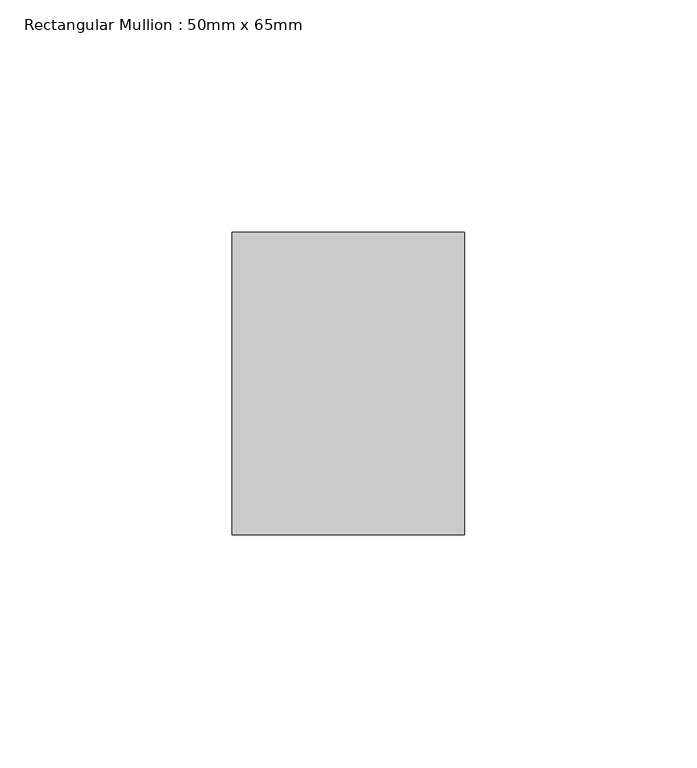
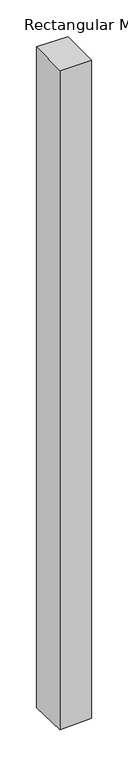
"""IFC4 building model written with IfcOpenShell, lengths in millimetres: member geometry, Rectangular Mullion : 50mm x 65mm."""

from ifc_helpers import new_model, si_unit, origin, place, context, project, spatial, faceted_brep, source, transform, mapped, element, save


def rectangular_mullion_50mm_x_65mm_0a59067a(model_context):
    return source(origin(), model_context, "Body", "Brep", [
        faceted_brep([(25.0, 32.5, 0.0), (-25.0, 32.5, 0.0), (-25.0, -32.5, 0.0), (25.0, -32.5, 0.0), (25.0, 32.5, -1103.3320047), (-25.0, 32.5, -1105.2746111), (-25.0, -32.5, -1102.7573112), (25.0, -32.5, -1100.8147048)], [[[0, 1, 2, 3]], [[1, 0, 4, 5]], [[2, 1, 5, 6]], [[3, 2, 6, 7]], [[0, 3, 7, 4]], [[4, 7, 6, 5]]]),
    ])


if __name__ == "__main__":
    model = new_model("IFC4")
    model_context = context("Model", 3, world=origin())
    ifc_project = project(units=[si_unit("LENGTHUNIT", "METRE", prefix="MILLI")], contexts=[model_context])
    site = spatial("IfcSite", under=ifc_project)
    building = spatial("IfcBuilding", under=site)
    placement = place(None, origin())
    rectangular_mullion_50mm_x_65mm_shape = rectangular_mullion_50mm_x_65mm_0a59067a(model_context)
    element("IfcMember", 1, ObjectType="Rectangular Mullion : 50mm x 65mm", at=placement, inside=building, context=model_context, shape_type="MappedRepresentation", body=[
        mapped(rectangular_mullion_50mm_x_65mm_shape, transform((0.0, 0.0, 0.0), x_axis=(1.0, 0.0, 0.0), y_axis=(0.0, 1.0, 0.0), z_axis=(0.0, 0.0, 1.0))),
    ])
    save(model, "model.ifc")
